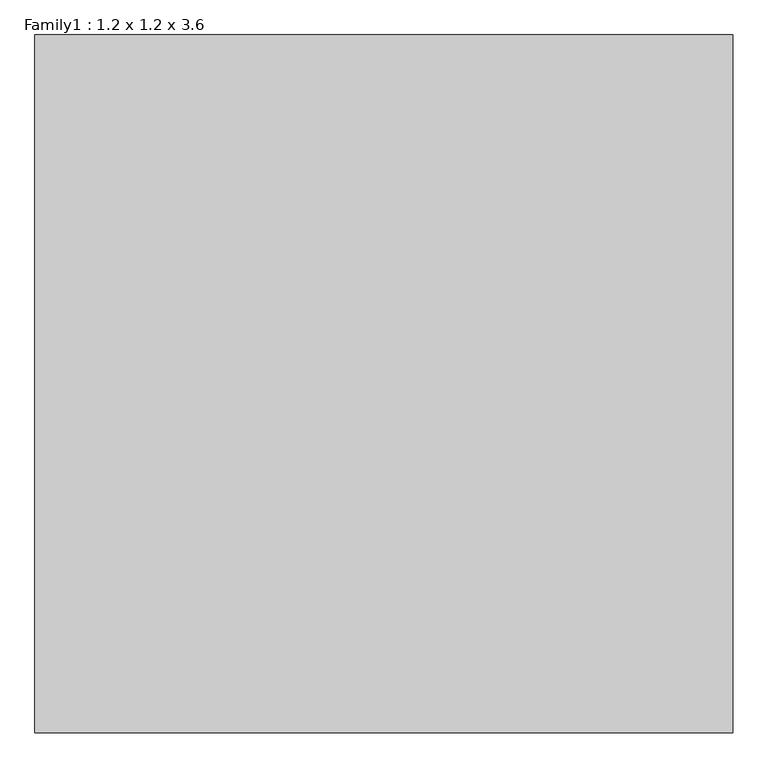
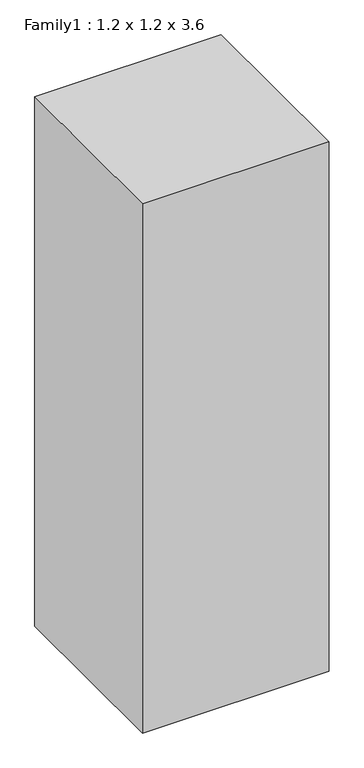
"""IFC4 building model written with IfcOpenShell, lengths in millimetres: proxy geometry, Family1 : 1.2 x 1.2 x 3.6."""

from ifc_helpers import new_model, si_unit, origin, origin_with_axes, place, context, project, spatial, polyline, outline, extrude, source, transform, mapped, element, save


def family1_1_2_x_1_2_x_3_6_21034dfc(model_context):
    return source(origin(), model_context, "Body", "SweptSolid", [
        extrude(outline(polyline([(600.0, 600.0), (600.0, -600.0), (-600.0, -600.0), (-600.0, 600.0), (600.0, 600.0)])), origin_with_axes(), (0.0, 0.0, 1.0), 3600.0),
    ])


if __name__ == "__main__":
    model = new_model("IFC4")
    model_context = context("Model", 3, world=origin())
    ifc_project = project(units=[si_unit("LENGTHUNIT", "METRE", prefix="MILLI")], contexts=[model_context])
    site = spatial("IfcSite", under=ifc_project)
    building = spatial("IfcBuilding", under=site)
    placement = place(None, origin())
    family1_1_2_x_1_2_x_3_6_shape = family1_1_2_x_1_2_x_3_6_21034dfc(model_context)
    element("IfcBuildingElementProxy", 1, Name="Family1 : 1.2 x 1.2 x 3.6", ObjectType="Family1 : 1.2 x 1.2 x 3.6", at=placement, inside=building, context=model_context, shape_type="MappedRepresentation", body=[
        mapped(family1_1_2_x_1_2_x_3_6_shape, transform((0.0, 0.0, 0.0), x_axis=(1.0, 0.0, 0.0), y_axis=(0.0, 1.0, 0.0), z_axis=(0.0, 0.0, 1.0))),
    ])
    save(model, "model.ifc")
